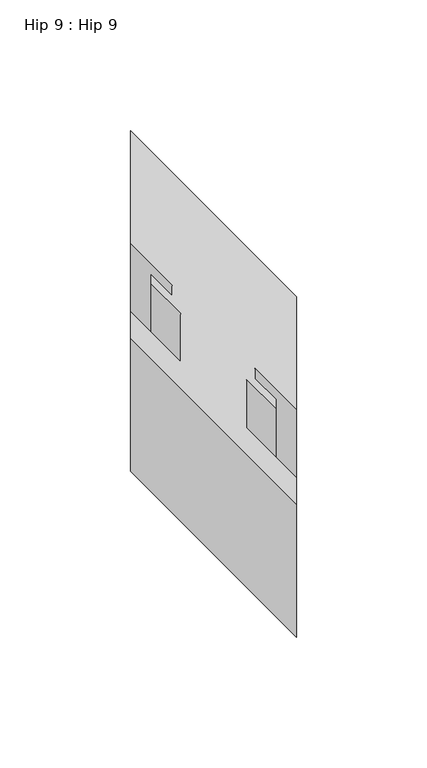
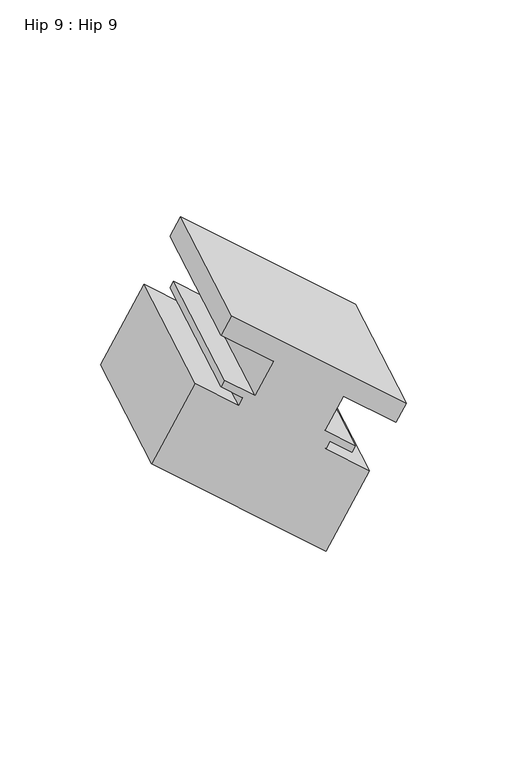
"""IFC4 building model written with IfcOpenShell, lengths in millimetres: proxy geometry, Hip 9 : Hip 9."""

from ifc_helpers import new_model, si_unit, origin, place, context, project, spatial, faceted_brep, source, transform, mapped, element, save


def hip_9_hip_9_a6ede7d2(model_context):
    return source(origin(), model_context, "Body", "Brep", [
        faceted_brep([(-5927.7192107, 6033.3251657, 683.5749555), (-5927.7192107, 5982.6576852, 654.3220721), (-5864.2192107, 5919.1576852, 617.66033), (-5864.2192107, 5969.8251657, 646.9132135), (-5927.7192107, 6043.6439157, 665.7023563), (-5927.7192107, 5992.9764352, 636.4494728), (-5908.6692107, 6024.6129657, 654.6708381), (-5908.6692107, 5973.9454852, 625.4179546), (-5908.6692107, 6042.9910563, 622.8390514), (-5908.6692107, 5992.3235759, 593.5861679), (-5919.7944107, 6054.1162563, 629.2621886), (-5919.7944107, 6003.4487759, 600.0093051), (-5919.7944107, 6057.7472657, 622.9730959), (-5919.7944107, 6007.0797852, 593.7202124), (-5911.8442107, 6049.7970657, 618.3830458), (-5911.8442107, 5999.1295852, 589.1301623), (-5911.8442107, 6053.7467657, 611.5419647), (-5911.8442107, 6003.0792852, 582.2890812), (-5927.7192107, 6069.6217657, 620.7074002), (-5927.7192107, 6018.9542852, 591.4545167), (-5927.7192107, 6112.8906657, 545.763467), (-5927.7192107, 6062.2231852, 516.5105835), (-5864.2192107, 6049.3906657, 509.1017249), (-5864.2192107, 5998.7231852, 479.8488415), (-5864.2192107, 6006.1217657, 584.0456581), (-5864.2192107, 5955.4542852, 554.7927746), (-5880.0942107, 6021.9967657, 593.2110936), (-5880.0942107, 5971.3292852, 563.9582102), (-5880.0942107, 6018.0470657, 600.0521747), (-5880.0942107, 5967.3795852, 570.7992912), (-5872.1440107, 6010.0968657, 595.4621246), (-5872.1440107, 5959.4293852, 566.2092411), (-5872.1440107, 6006.5154657, 601.6652914), (-5872.1440107, 5955.8479852, 572.4124079), (-5883.2692107, 6017.6406657, 608.0884286), (-5883.2692107, 5966.9731852, 578.8355451), (-5883.2692107, 5999.2129657, 640.0061412), (-5883.2692107, 5948.5454852, 610.7532578), (-5864.2192107, 5980.1629657, 629.0076186), (-5864.2192107, 5929.4954852, 599.7547351)], [[[0, 1, 2, 3]], [[1, 0, 4, 5]], [[5, 4, 6, 7]], [[7, 6, 8, 9]], [[9, 8, 10, 11]], [[11, 10, 12, 13]], [[13, 12, 14, 15]], [[15, 14, 16, 17]], [[17, 16, 18, 19]], [[19, 18, 20, 21]], [[21, 20, 22, 23]], [[23, 22, 24, 25]], [[25, 24, 26, 27]], [[27, 26, 28, 29]], [[29, 28, 30, 31]], [[31, 30, 32, 33]], [[33, 32, 34, 35]], [[35, 34, 36, 37]], [[37, 36, 38, 39]], [[39, 38, 3, 2]], [[2, 1, 5, 7, 9, 11, 13, 15, 17, 19, 21, 23, 25, 27, 29, 31, 33, 35, 37, 39]], [[0, 3, 38, 36, 34, 32, 30, 28, 26, 24, 22, 20, 18, 16, 14, 12, 10, 8, 6, 4]]]),
    ])


if __name__ == "__main__":
    model = new_model("IFC4")
    model_context = context("Model", 3, world=origin())
    ifc_project = project(units=[si_unit("LENGTHUNIT", "METRE", prefix="MILLI")], contexts=[model_context])
    site = spatial("IfcSite", under=ifc_project)
    building = spatial("IfcBuilding", under=site)
    placement = place(None, origin())
    hip_9_hip_9_shape = hip_9_hip_9_a6ede7d2(model_context)
    element("IfcBuildingElementProxy", 1, Name="Hip 9 : Hip 9", ObjectType="Hip 9 : Hip 9", at=placement, inside=building, context=model_context, shape_type="MappedRepresentation", body=[
        mapped(hip_9_hip_9_shape, transform((0.0, 0.0, 0.0), x_axis=(1.0, 0.0, 0.0), y_axis=(0.0, 1.0, 0.0), z_axis=(0.0, 0.0, 1.0))),
    ])
    save(model, "model.ifc")
